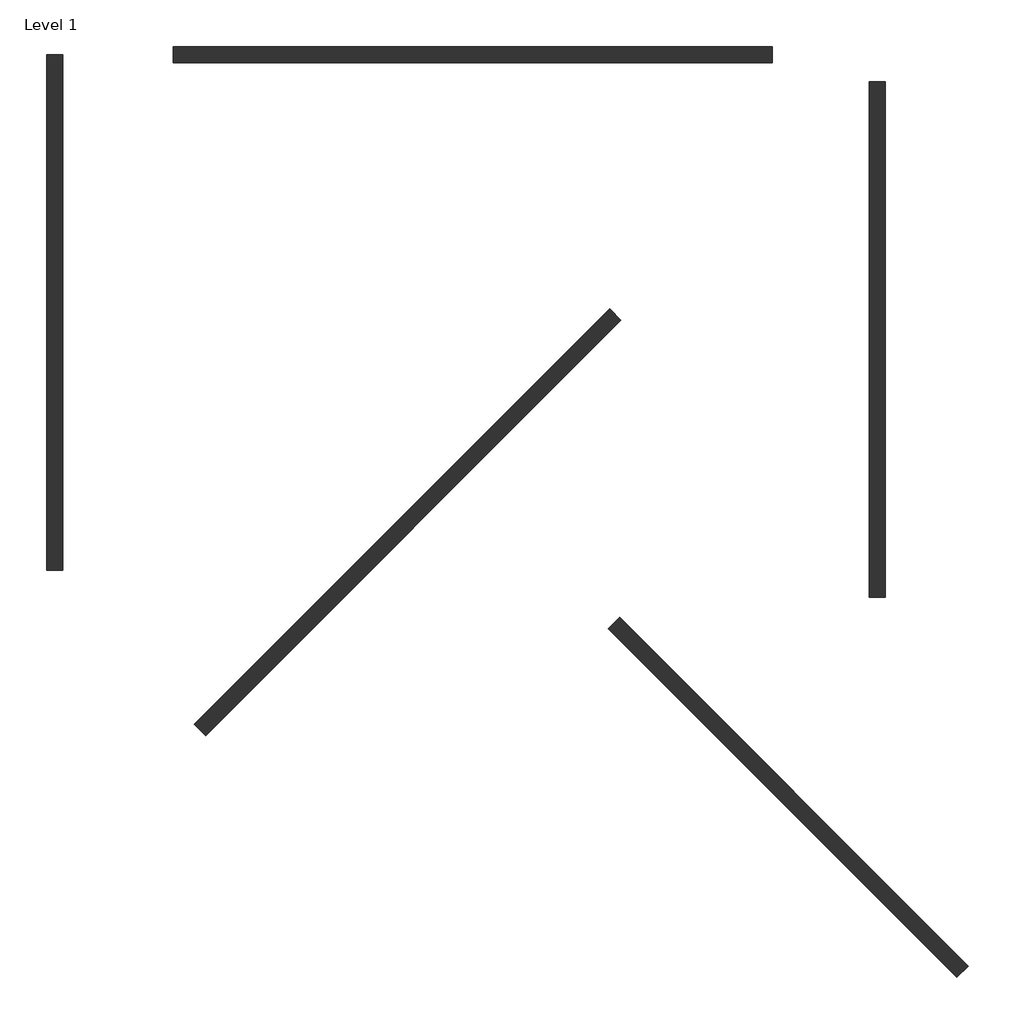
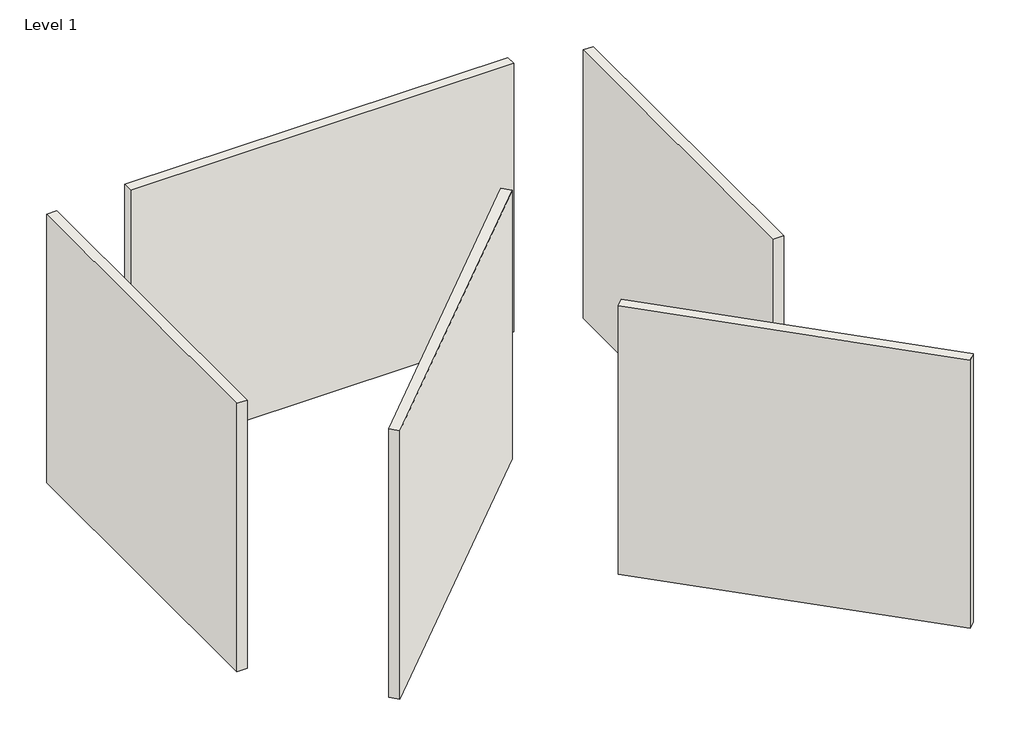
# One storey: 5 walls.
"""IFC4 building model written with IfcOpenShell, lengths in millimetres."""

from ifc_helpers import new_model, si_unit, origin, origin_with_axes, place, context, project, spatial, polyline, outline, extrude, element, save

model = new_model("IFC4")

# Units and contexts
model_context = context("Model", 3, world=origin())
ifc_project = project(units=[si_unit("LENGTHUNIT", "METRE", prefix="MILLI")], contexts=[model_context])

# Site, building, storey
site = spatial("IfcSite", under=ifc_project)
building = spatial("IfcBuilding", under=site)
storey = spatial("IfcBuildingStorey", under=building, Name="Level 1", Elevation=0.0)

# Walls
placement = place(None, origin())
element("IfcWall", 1, at=placement, inside=storey, context=model_context, shape_type="SweptSolid", body=[
    extrude(outline(polyline([(-9596.9946824, -4392.1397481), (-9596.9946824, 4907.8602519), (-9306.9946824, 4907.8602519), (-9306.9946824, -4392.1397481), (-9596.9946824, -4392.1397481)])), origin_with_axes(), (0.0, 0.0, 1.0), 8000.0),
])
element("IfcWall", 2, at=placement, inside=storey, context=model_context, shape_type="SweptSolid", body=[
    extrude(outline(polyline([(3493.0053176, 4762.8602519), (-7306.9946824, 4762.8602519), (-7306.9946824, 5052.8602519), (3493.0053176, 5052.8602519), (3493.0053176, 4762.8602519)])), origin_with_axes(), (0.0, 0.0, 1.0), 8000.0),
])
element("IfcWall", 3, at=placement, inside=storey, context=model_context, shape_type="SweptSolid", body=[
    extrude(outline(polyline([(5244.7717929, -4883.5889692), (5244.7717929, 4416.4110308), (5534.7717929, 4416.4110308), (5534.7717929, -4883.5889692), (5244.7717929, -4883.5889692)])), origin_with_axes(), (0.0, 0.0, 1.0), 8000.0),
])
element("IfcWall", 4, at=placement, inside=storey, context=model_context, shape_type="SweptSolid", body=[
    extrude(outline(polyline([(766.9301936, 112.7209674), (-6728.401687, -7382.6109132), (-6933.4626535, -7177.5499466), (561.8692271, 317.781934), (766.9301936, 112.7209674)])), origin_with_axes(), (0.0, 0.0, 1.0), 8000.0),
])
element("IfcWall", 5, at=placement, inside=storey, context=model_context, shape_type="SweptSolid", body=[
    extrude(outline(polyline([(6829.8158588, -11742.827663), (536.5655063, -5449.5773104), (741.6264728, -5244.5163439), (7034.8768254, -11537.7666964), (6829.8158588, -11742.827663)])), origin_with_axes(), (0.0, 0.0, 1.0), 8000.0),
])

save(model, "model.ifc")
